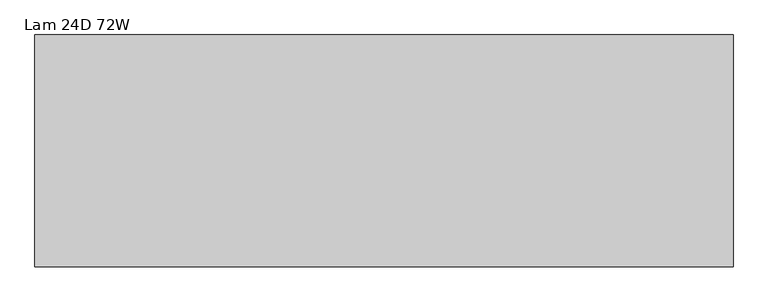
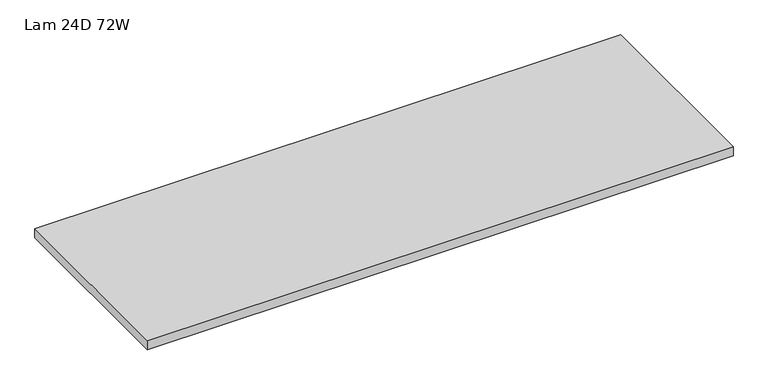
"""IFC4 building model written with IfcOpenShell, lengths in millimetres: furniture geometry, Lam 24D 72W."""

from ifc_helpers import new_model, si_unit, frame, origin, place, context, project, spatial, polyline, outline, extrude, source, transform, mapped, element, save


def lam_24d_72w_affd177d(model_context):
    return source(origin(), model_context, "Body", "SweptSolid", [
        extrude(outline(polyline([(1828.7999999, -3.0467299), (1828.7999999, -609.6), (3.1750001, -609.6), (3.1750001, -3.0467299), (1828.7999999, -3.0467299)])), frame((0.0, 0.0, 854.47378), z_axis=(0.0, 0.0, 1.0), x_axis=(1.0, 0.0, 0.0)), (0.0, 0.0, 1.0), 29.972),
    ])


if __name__ == "__main__":
    model = new_model("IFC4")
    model_context = context("Model", 3, world=origin())
    ifc_project = project(units=[si_unit("LENGTHUNIT", "METRE", prefix="MILLI")], contexts=[model_context])
    site = spatial("IfcSite", under=ifc_project)
    building = spatial("IfcBuilding", under=site)
    placement = place(None, origin())
    lam_24d_72w_shape = lam_24d_72w_affd177d(model_context)
    element("IfcFurniture", 1, ObjectType="Lam 24D 72W", at=placement, inside=building, context=model_context, shape_type="MappedRepresentation", body=[
        mapped(lam_24d_72w_shape, transform((0.0, 0.0, 0.0), x_axis=(1.0, 0.0, 0.0), y_axis=(0.0, 1.0, 0.0), z_axis=(0.0, 0.0, 1.0))),
    ])
    save(model, "model.ifc")
